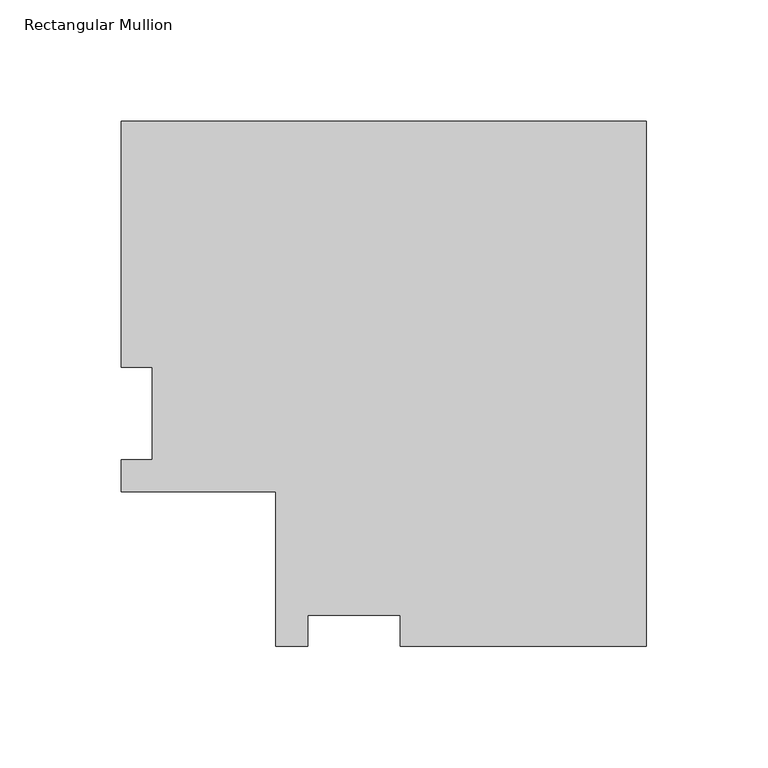
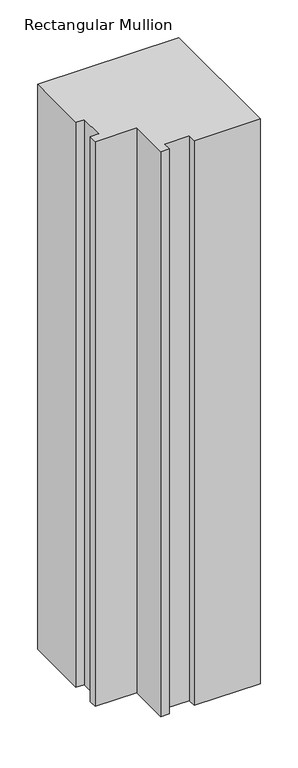
"""IFC4 building model written with IfcOpenShell, lengths in millimetres: member geometry, Rectangular Mullion."""

import ifcopenshell
import ifcopenshell.guid

model = None  # the IFC model being written
_history = None  # IfcOwnerHistory: only IFC2X3 demands one
_inside = {}  # id of a spatial element -> (the spatial element, [elements in it])
_under = {}  # id of a project, library or spatial element -> (it, [spatial elements below it])
_declared = {}  # id of a project -> (the project, [libraries it declares])
_typed = {}  # id of a type object -> (the type object, [elements of that type])
_made_of = {}  # id of a material, layer set ... -> (it, [elements and type objects made of it])


def new_model(schema):
    """Start an empty IFC model of exactly this schema.

    Asked for "IFC4X3", IfcOpenShell would pick the latest addendum, in which some entities
    have other attributes; the version numbers below select the first issue.
    IFC2X3 requires an IfcOwnerHistory on every rooted entity: one is made here for all.
    """
    global model, _history
    if schema == "IFC4X3":
        model = ifcopenshell.file(schema_version=(4, 3, 0, 0))
    else:
        model = ifcopenshell.file(schema=schema)
    _inside.clear()
    _under.clear()
    _declared.clear()
    _typed.clear()
    _made_of.clear()
    _history = None
    if model.schema == "IFC2X3":
        org = make("IfcOrganization", Name="unknown")
        user = make(
            "IfcPersonAndOrganization",
            ThePerson=make("IfcPerson", FamilyName="unknown"),
            TheOrganization=org,
        )
        app = make(
            "IfcApplication",
            ApplicationDeveloper=org,
            Version="unknown",
            ApplicationFullName="unknown",
            ApplicationIdentifier="unknown",
        )
        _history = make(
            "IfcOwnerHistory",
            OwningUser=user,
            OwningApplication=app,
            ChangeAction="ADDED",
            CreationDate=0,
        )
    return model


def make(cls, **values):
    """One entity of the class cls with the attributes given. An attribute that is None is left unset."""
    return model.create_entity(
        cls, **{name: value for name, value in values.items() if value is not None}
    )


def rooted(cls, **values):
    """An entity with a GlobalId (a new one), such as an element, a storey or a relation."""
    return make(cls, GlobalId=ifcopenshell.guid.new(), OwnerHistory=_history, **values)


def si_unit(unit_type, name, prefix=None):
    """IfcSIUnit, for example si_unit("LENGTHUNIT", "METRE", prefix="MILLI")."""
    return make("IfcSIUnit", UnitType=unit_type, Prefix=prefix, Name=name)


def assignment(units):
    """IfcUnitAssignment: the units of a project."""
    return None if units is None else make("IfcUnitAssignment", Units=units)


def point(xyz):
    """IfcCartesianPoint."""
    return None if xyz is None else make("IfcCartesianPoint", Coordinates=xyz)


def direction(xyz):
    """IfcDirection."""
    return None if xyz is None else make("IfcDirection", DirectionRatios=xyz)


def frame(location, z_axis=None, x_axis=None):
    """IfcAxis2Placement3D, a coordinate frame: its origin and axes. An axis left out is left unset."""
    return make(
        "IfcAxis2Placement3D",
        Location=point(location),
        Axis=direction(z_axis),
        RefDirection=direction(x_axis),
    )


def origin():
    """The frame at (0, 0, 0) with its axes left unset."""
    return frame((0.0, 0.0, 0.0))


def place(relative_to, where):
    """IfcLocalPlacement: puts the frame where relative to a parent placement (None: the world)."""
    return make(
        "IfcLocalPlacement", PlacementRelTo=relative_to, RelativePlacement=where
    )


def context(
    kind, dimensions, precision=None, world=None, true_north=None, identifier=None
):
    """IfcGeometricRepresentationContext, for example the 3D "Model" context."""
    return make(
        "IfcGeometricRepresentationContext",
        ContextIdentifier=identifier,
        ContextType=kind,
        CoordinateSpaceDimension=dimensions,
        Precision=precision,
        WorldCoordinateSystem=world,
        TrueNorth=true_north,
    )


def project(units=None, contexts=None):
    """IfcProject with its units and contexts."""
    return rooted(
        "IfcProject",
        Name="project",
        RepresentationContexts=contexts,
        UnitsInContext=assignment(units),
    )


def spatial(cls, under=None, at=None, **own):
    """A site, building, storey or space (cls), placed at a placement, below another one or the project."""
    s = rooted(cls, ObjectPlacement=at, **own)
    if under is not None:
        _under.setdefault(under.id(), (under, []))[1].append(s)
    return s


def polyline(points):
    """IfcPolyline through the points."""
    return make("IfcPolyline", Points=[point(p) for p in points])


def outline(outer, holes=None, kind="AREA"):
    """IfcArbitraryClosedProfileDef: a profile drawn as a closed curve; with holes, ...WithVoids."""
    if holes is None:
        return make("IfcArbitraryClosedProfileDef", ProfileType=kind, OuterCurve=outer)
    return make(
        "IfcArbitraryProfileDefWithVoids",
        ProfileType=kind,
        OuterCurve=outer,
        InnerCurves=holes,
    )


def extrude(swept, where, along, depth):
    """IfcExtrudedAreaSolid: the profile swept, set in the frame where, extruded along a direction by depth."""
    return make(
        "IfcExtrudedAreaSolid",
        SweptArea=swept,
        Position=where,
        ExtrudedDirection=direction(along),
        Depth=depth,
    )


def shape(context_of_items, identifier, shape_type, items):
    """IfcShapeRepresentation: the items that make up one representation, for example the "Body"."""
    return make(
        "IfcShapeRepresentation",
        ContextOfItems=context_of_items,
        RepresentationIdentifier=identifier,
        RepresentationType=shape_type,
        Items=items,
    )


def source(mapping_origin, context_of_items, identifier, shape_type, items):
    """IfcRepresentationMap: a shape defined once, which mapped items show again and again."""
    return make(
        "IfcRepresentationMap",
        MappingOrigin=mapping_origin,
        MappedRepresentation=shape(context_of_items, identifier, shape_type, items),
    )


def transform(
    local_origin,
    x_axis=None,
    y_axis=None,
    z_axis=None,
    scale=None,
    scale2=None,
    scale3=None,
    uniform=True,
):
    """IfcCartesianTransformationOperator3D, or its non-uniform kind. x_axis, y_axis, z_axis: its Axis1, 2, 3."""
    if uniform:
        return make(
            "IfcCartesianTransformationOperator3D",
            Axis1=direction(x_axis),
            Axis2=direction(y_axis),
            LocalOrigin=point(local_origin),
            Scale=scale,
            Axis3=direction(z_axis),
        )
    return make(
        "IfcCartesianTransformationOperator3DnonUniform",
        Axis1=direction(x_axis),
        Axis2=direction(y_axis),
        LocalOrigin=point(local_origin),
        Scale=scale,
        Axis3=direction(z_axis),
        Scale2=scale2,
        Scale3=scale3,
    )


def mapped(mapping_source, mapping_target):
    """IfcMappedItem: shows the shape of a source again, moved by a transform."""
    return make(
        "IfcMappedItem", MappingSource=mapping_source, MappingTarget=mapping_target
    )


def made_of(thing, what):
    """Note that an element or type object is made of a material, layer set ...; save() writes the relation."""
    if what is not None:
        _made_of.setdefault(what.id(), (what, []))[1].append(thing)
    return thing


def element(
    cls,
    number,
    at=None,
    inside=None,
    cuts=None,
    type_object=None,
    material=None,
    context=None,
    identifier="Body",
    shape_type=None,
    held_by="IfcProductDefinitionShape",
    body=None,
    shapes=None,
    **own,
):
    """One element of the class cls, such as IfcWall. Its Tag is "e" and its number.

    at: its placement. inside: the storey or other place that contains it. cuts: it is an
    opening in that element (IfcRelVoidsElement). A single representation is given by context,
    identifier, shape_type and body (its items); several are given by shapes. held_by: the class
    of the entity that holds the representations. save() writes the other relations.
    """
    e = rooted(cls, Tag="e%d" % number, ObjectPlacement=at, **own)
    if body is not None:
        shapes = [shape(context, identifier, shape_type, body)]
    if shapes is not None:
        e.Representation = make(held_by, Representations=shapes)
    if inside is not None:
        _inside.setdefault(inside.id(), (inside, []))[1].append(e)
    if cuts is not None:
        rooted(
            "IfcRelVoidsElement", RelatingBuildingElement=cuts, RelatedOpeningElement=e
        )
    if type_object is not None:
        _typed.setdefault(type_object.id(), (type_object, []))[1].append(e)
    return made_of(e, material)


def aggregate(whole, parts):
    """IfcRelAggregates: a whole, such as a stair, and the parts it consists of."""
    return rooted("IfcRelAggregates", RelatingObject=whole, RelatedObjects=parts)


def save(model, path):
    """Write the relations noted so far, then the file.

    IfcRelAggregates (storeys below a building ...), IfcRelContainedInSpatialStructure (elements
    in a storey), IfcRelDefinesByType, IfcRelAssociatesMaterial and IfcRelDeclares: one each for
    every whole, place, type object, material and project.
    """
    for whole, parts in _under.values():
        aggregate(whole, parts)
    for where, things in _inside.values():
        rooted(
            "IfcRelContainedInSpatialStructure",
            RelatedElements=things,
            RelatingStructure=where,
        )
    for kind, things in _typed.values():
        rooted("IfcRelDefinesByType", RelatedObjects=things, RelatingType=kind)
    for what, things in _made_of.values():
        rooted("IfcRelAssociatesMaterial", RelatedObjects=things, RelatingMaterial=what)
    for by, libraries in _declared.values():
        rooted("IfcRelDeclares", RelatingContext=by, RelatedDefinitions=libraries)
    model.write(path)


def rectangular_mullion_5952dd8e(model_context):
    return source(origin(), model_context, "Body", "SweptSolid", [
        extrude(outline(polyline([(0.0, 152.4896938), (0.0, -63.4865063), (-101.2027182, -63.4865063), (-101.2027182, -50.7865063), (-139.3027182, -50.7865063), (-139.3027182, -63.4865062), (-152.4853182, -63.4865062), (-152.4853182, 0.0134937), (-215.9853182, 0.0134937), (-215.9853182, 13.1960938), (-203.2853182, 13.1960938), (-203.2853182, 51.2960937), (-215.9853182, 51.2960937), (-215.9853182, 152.4896938), (0.0, 152.4896938)])), frame((0.0, 0.0, -914.4), z_axis=(0.0, 0.0, 1.0), x_axis=(1.0, 0.0, 0.0)), (0.0, 0.0, 1.0), 914.4),
    ])


if __name__ == "__main__":
    model = new_model("IFC4")
    model_context = context("Model", 3, world=origin())
    ifc_project = project(units=[si_unit("LENGTHUNIT", "METRE", prefix="MILLI")], contexts=[model_context])
    site = spatial("IfcSite", under=ifc_project)
    building = spatial("IfcBuilding", under=site)
    placement = place(None, origin())
    rectangular_mullion_shape = rectangular_mullion_5952dd8e(model_context)
    element("IfcMember", 1, ObjectType="Rectangular Mullion", at=placement, inside=building, context=model_context, shape_type="MappedRepresentation", body=[
        mapped(rectangular_mullion_shape, transform((0.0, 0.0, 0.0), x_axis=(1.0, 0.0, 0.0), y_axis=(0.0, 1.0, 0.0), z_axis=(0.0, 0.0, 1.0))),
    ])
    save(model, "model.ifc")
